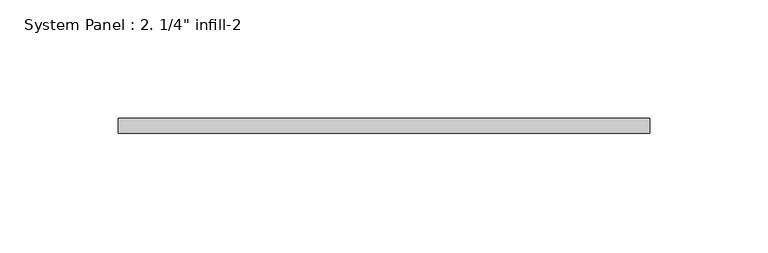
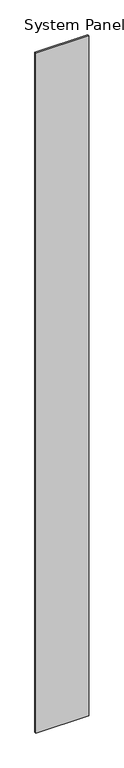
"""IFC4 building model written with IfcOpenShell, lengths in millimetres: plate geometry."""

from ifc_helpers import new_model, si_unit, origin, origin_with_axes, place, context, project, spatial, polyline, outline, extrude, source, transform, mapped, element, save


def plate_2e8d0e47(model_context):
    return source(origin(), model_context, "Body", "SweptSolid", [
        extrude(outline(polyline([(112.5402686, -6.35), (-112.5402686, -6.35), (-112.5402686, 0.0), (112.5402686, 0.0), (112.5402686, -6.35)])), origin_with_axes(), (0.0, 0.0, 1.0), 3048.0),
    ])


if __name__ == "__main__":
    model = new_model("IFC4")
    model_context = context("Model", 3, world=origin())
    ifc_project = project(units=[si_unit("LENGTHUNIT", "METRE", prefix="MILLI")], contexts=[model_context])
    site = spatial("IfcSite", under=ifc_project)
    building = spatial("IfcBuilding", under=site)
    placement = place(None, origin())
    plate_shape = plate_2e8d0e47(model_context)
    element("IfcPlate", 1, ObjectType="System Panel : 2. 1/4\" infill-2", at=placement, inside=building, context=model_context, shape_type="MappedRepresentation", body=[
        mapped(plate_shape, transform((0.0, 0.0, 0.0), x_axis=(1.0, 0.0, 0.0), y_axis=(0.0, 1.0, 0.0), z_axis=(0.0, 0.0, 1.0))),
    ])
    save(model, "model.ifc")
